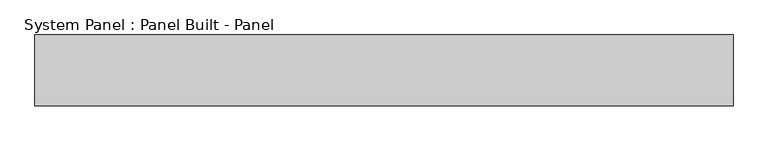
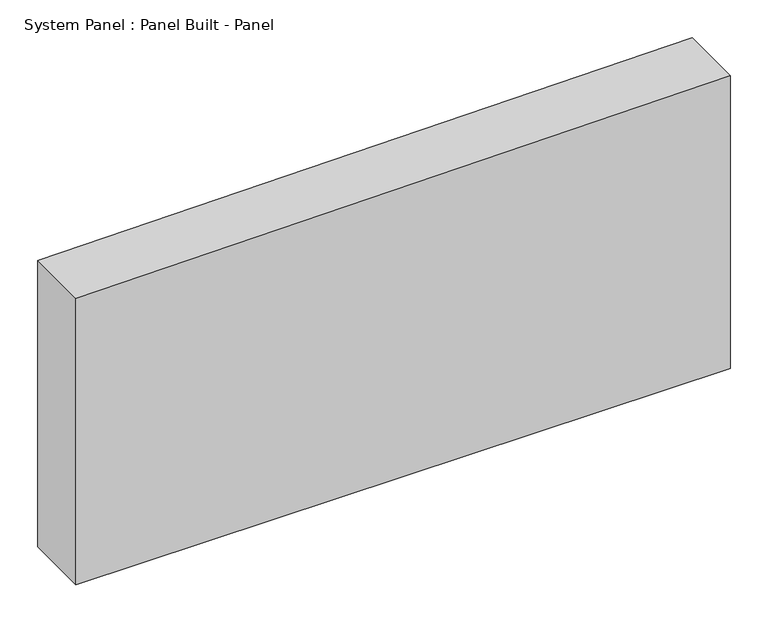
"""IFC4 building model written with IfcOpenShell, lengths in millimetres: plate geometry, System Panel : Panel Built - Panel."""

import ifcopenshell
import ifcopenshell.guid

model = None  # the IFC model being written
_history = None  # IfcOwnerHistory: only IFC2X3 demands one
_inside = {}  # id of a spatial element -> (the spatial element, [elements in it])
_under = {}  # id of a project, library or spatial element -> (it, [spatial elements below it])
_declared = {}  # id of a project -> (the project, [libraries it declares])
_typed = {}  # id of a type object -> (the type object, [elements of that type])
_made_of = {}  # id of a material, layer set ... -> (it, [elements and type objects made of it])


def new_model(schema):
    """Start an empty IFC model of exactly this schema.

    Asked for "IFC4X3", IfcOpenShell would pick the latest addendum, in which some entities
    have other attributes; the version numbers below select the first issue.
    IFC2X3 requires an IfcOwnerHistory on every rooted entity: one is made here for all.
    """
    global model, _history
    if schema == "IFC4X3":
        model = ifcopenshell.file(schema_version=(4, 3, 0, 0))
    else:
        model = ifcopenshell.file(schema=schema)
    _inside.clear()
    _under.clear()
    _declared.clear()
    _typed.clear()
    _made_of.clear()
    _history = None
    if model.schema == "IFC2X3":
        org = make("IfcOrganization", Name="unknown")
        user = make(
            "IfcPersonAndOrganization",
            ThePerson=make("IfcPerson", FamilyName="unknown"),
            TheOrganization=org,
        )
        app = make(
            "IfcApplication",
            ApplicationDeveloper=org,
            Version="unknown",
            ApplicationFullName="unknown",
            ApplicationIdentifier="unknown",
        )
        _history = make(
            "IfcOwnerHistory",
            OwningUser=user,
            OwningApplication=app,
            ChangeAction="ADDED",
            CreationDate=0,
        )
    return model


def make(cls, **values):
    """One entity of the class cls with the attributes given. An attribute that is None is left unset."""
    return model.create_entity(
        cls, **{name: value for name, value in values.items() if value is not None}
    )


def rooted(cls, **values):
    """An entity with a GlobalId (a new one), such as an element, a storey or a relation."""
    return make(cls, GlobalId=ifcopenshell.guid.new(), OwnerHistory=_history, **values)


def si_unit(unit_type, name, prefix=None):
    """IfcSIUnit, for example si_unit("LENGTHUNIT", "METRE", prefix="MILLI")."""
    return make("IfcSIUnit", UnitType=unit_type, Prefix=prefix, Name=name)


def assignment(units):
    """IfcUnitAssignment: the units of a project."""
    return None if units is None else make("IfcUnitAssignment", Units=units)


def point(xyz):
    """IfcCartesianPoint."""
    return None if xyz is None else make("IfcCartesianPoint", Coordinates=xyz)


def direction(xyz):
    """IfcDirection."""
    return None if xyz is None else make("IfcDirection", DirectionRatios=xyz)


def frame(location, z_axis=None, x_axis=None):
    """IfcAxis2Placement3D, a coordinate frame: its origin and axes. An axis left out is left unset."""
    return make(
        "IfcAxis2Placement3D",
        Location=point(location),
        Axis=direction(z_axis),
        RefDirection=direction(x_axis),
    )


def origin():
    """The frame at (0, 0, 0) with its axes left unset."""
    return frame((0.0, 0.0, 0.0))


def place(relative_to, where):
    """IfcLocalPlacement: puts the frame where relative to a parent placement (None: the world)."""
    return make(
        "IfcLocalPlacement", PlacementRelTo=relative_to, RelativePlacement=where
    )


def context(
    kind, dimensions, precision=None, world=None, true_north=None, identifier=None
):
    """IfcGeometricRepresentationContext, for example the 3D "Model" context."""
    return make(
        "IfcGeometricRepresentationContext",
        ContextIdentifier=identifier,
        ContextType=kind,
        CoordinateSpaceDimension=dimensions,
        Precision=precision,
        WorldCoordinateSystem=world,
        TrueNorth=true_north,
    )


def project(units=None, contexts=None):
    """IfcProject with its units and contexts."""
    return rooted(
        "IfcProject",
        Name="project",
        RepresentationContexts=contexts,
        UnitsInContext=assignment(units),
    )


def spatial(cls, under=None, at=None, **own):
    """A site, building, storey or space (cls), placed at a placement, below another one or the project."""
    s = rooted(cls, ObjectPlacement=at, **own)
    if under is not None:
        _under.setdefault(under.id(), (under, []))[1].append(s)
    return s


def polyline(points):
    """IfcPolyline through the points."""
    return make("IfcPolyline", Points=[point(p) for p in points])


def outline(outer, holes=None, kind="AREA"):
    """IfcArbitraryClosedProfileDef: a profile drawn as a closed curve; with holes, ...WithVoids."""
    if holes is None:
        return make("IfcArbitraryClosedProfileDef", ProfileType=kind, OuterCurve=outer)
    return make(
        "IfcArbitraryProfileDefWithVoids",
        ProfileType=kind,
        OuterCurve=outer,
        InnerCurves=holes,
    )


def extrude(swept, where, along, depth):
    """IfcExtrudedAreaSolid: the profile swept, set in the frame where, extruded along a direction by depth."""
    return make(
        "IfcExtrudedAreaSolid",
        SweptArea=swept,
        Position=where,
        ExtrudedDirection=direction(along),
        Depth=depth,
    )


def shape(context_of_items, identifier, shape_type, items):
    """IfcShapeRepresentation: the items that make up one representation, for example the "Body"."""
    return make(
        "IfcShapeRepresentation",
        ContextOfItems=context_of_items,
        RepresentationIdentifier=identifier,
        RepresentationType=shape_type,
        Items=items,
    )


def source(mapping_origin, context_of_items, identifier, shape_type, items):
    """IfcRepresentationMap: a shape defined once, which mapped items show again and again."""
    return make(
        "IfcRepresentationMap",
        MappingOrigin=mapping_origin,
        MappedRepresentation=shape(context_of_items, identifier, shape_type, items),
    )


def transform(
    local_origin,
    x_axis=None,
    y_axis=None,
    z_axis=None,
    scale=None,
    scale2=None,
    scale3=None,
    uniform=True,
):
    """IfcCartesianTransformationOperator3D, or its non-uniform kind. x_axis, y_axis, z_axis: its Axis1, 2, 3."""
    if uniform:
        return make(
            "IfcCartesianTransformationOperator3D",
            Axis1=direction(x_axis),
            Axis2=direction(y_axis),
            LocalOrigin=point(local_origin),
            Scale=scale,
            Axis3=direction(z_axis),
        )
    return make(
        "IfcCartesianTransformationOperator3DnonUniform",
        Axis1=direction(x_axis),
        Axis2=direction(y_axis),
        LocalOrigin=point(local_origin),
        Scale=scale,
        Axis3=direction(z_axis),
        Scale2=scale2,
        Scale3=scale3,
    )


def mapped(mapping_source, mapping_target):
    """IfcMappedItem: shows the shape of a source again, moved by a transform."""
    return make(
        "IfcMappedItem", MappingSource=mapping_source, MappingTarget=mapping_target
    )


def made_of(thing, what):
    """Note that an element or type object is made of a material, layer set ...; save() writes the relation."""
    if what is not None:
        _made_of.setdefault(what.id(), (what, []))[1].append(thing)
    return thing


def element(
    cls,
    number,
    at=None,
    inside=None,
    cuts=None,
    type_object=None,
    material=None,
    context=None,
    identifier="Body",
    shape_type=None,
    held_by="IfcProductDefinitionShape",
    body=None,
    shapes=None,
    **own,
):
    """One element of the class cls, such as IfcWall. Its Tag is "e" and its number.

    at: its placement. inside: the storey or other place that contains it. cuts: it is an
    opening in that element (IfcRelVoidsElement). A single representation is given by context,
    identifier, shape_type and body (its items); several are given by shapes. held_by: the class
    of the entity that holds the representations. save() writes the other relations.
    """
    e = rooted(cls, Tag="e%d" % number, ObjectPlacement=at, **own)
    if body is not None:
        shapes = [shape(context, identifier, shape_type, body)]
    if shapes is not None:
        e.Representation = make(held_by, Representations=shapes)
    if inside is not None:
        _inside.setdefault(inside.id(), (inside, []))[1].append(e)
    if cuts is not None:
        rooted(
            "IfcRelVoidsElement", RelatingBuildingElement=cuts, RelatedOpeningElement=e
        )
    if type_object is not None:
        _typed.setdefault(type_object.id(), (type_object, []))[1].append(e)
    return made_of(e, material)


def aggregate(whole, parts):
    """IfcRelAggregates: a whole, such as a stair, and the parts it consists of."""
    return rooted("IfcRelAggregates", RelatingObject=whole, RelatedObjects=parts)


def save(model, path):
    """Write the relations noted so far, then the file.

    IfcRelAggregates (storeys below a building ...), IfcRelContainedInSpatialStructure (elements
    in a storey), IfcRelDefinesByType, IfcRelAssociatesMaterial and IfcRelDeclares: one each for
    every whole, place, type object, material and project.
    """
    for whole, parts in _under.values():
        aggregate(whole, parts)
    for where, things in _inside.values():
        rooted(
            "IfcRelContainedInSpatialStructure",
            RelatedElements=things,
            RelatingStructure=where,
        )
    for kind, things in _typed.values():
        rooted("IfcRelDefinesByType", RelatedObjects=things, RelatingType=kind)
    for what, things in _made_of.values():
        rooted("IfcRelAssociatesMaterial", RelatedObjects=things, RelatingMaterial=what)
    for by, libraries in _declared.values():
        rooted("IfcRelDeclares", RelatingContext=by, RelatedDefinitions=libraries)
    model.write(path)


def system_panel_panel_built_panel_1418c517(model_context):
    return source(origin(), model_context, "Body", "SweptSolid", [
        extrude(outline(polyline([(0.0, -501.65), (0.0, 501.65), (474.9270833, 501.65), (464.4760417, -501.65), (0.0, -501.65)])), frame((0.0, -50.8, 0.0), z_axis=(0.0, 1.0, 0.0), x_axis=(0.0, 0.0, 1.0)), (0.0, 0.0, 1.0), 101.6),
    ])


if __name__ == "__main__":
    model = new_model("IFC4")
    model_context = context("Model", 3, world=origin())
    ifc_project = project(units=[si_unit("LENGTHUNIT", "METRE", prefix="MILLI")], contexts=[model_context])
    site = spatial("IfcSite", under=ifc_project)
    building = spatial("IfcBuilding", under=site)
    placement = place(None, origin())
    system_panel_panel_built_panel_shape = system_panel_panel_built_panel_1418c517(model_context)
    element("IfcPlate", 1, ObjectType="System Panel : Panel Built - Panel", at=placement, inside=building, context=model_context, shape_type="MappedRepresentation", body=[
        mapped(system_panel_panel_built_panel_shape, transform((0.0, 0.0, 0.0), x_axis=(1.0, 0.0, 0.0), y_axis=(0.0, 1.0, 0.0), z_axis=(0.0, 0.0, 1.0))),
    ])
    save(model, "model.ifc")
